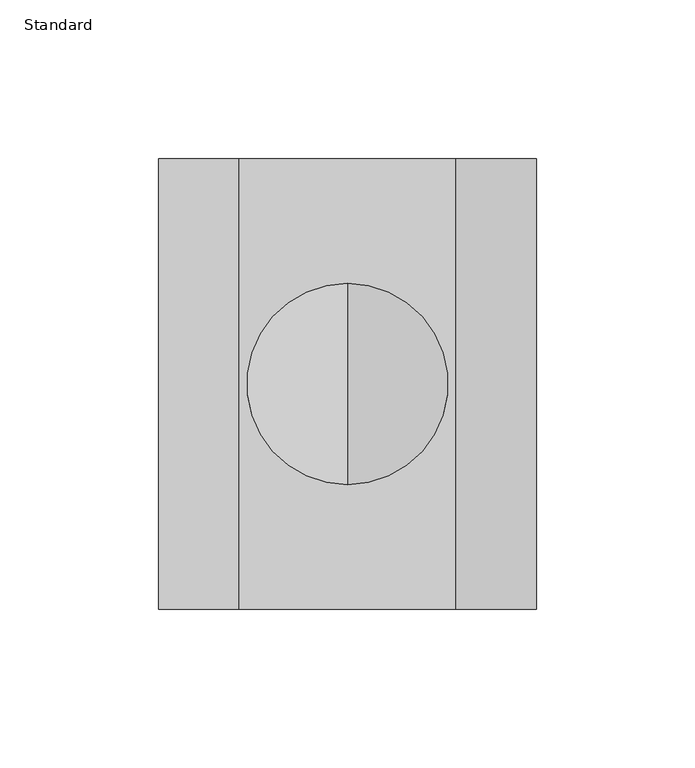
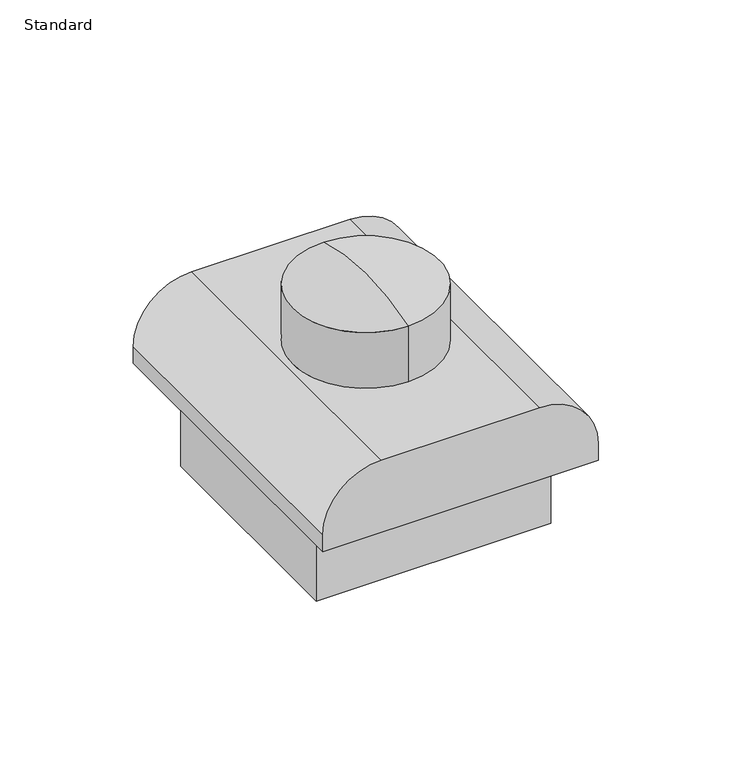
"""IFC4 building model written with IfcOpenShell, lengths in millimetres: alarm geometry, Standard."""

from ifc_helpers import new_model, si_unit, point, frame, origin, place, context, project, spatial, circle_curve, ellipse_curve, trimmed, source, transform, mapped, element, save
from ifc_brep_helpers import plane_surface, cylinder_surface, revolved_surface, advanced_brep


def standard_586d6311(model_context):
    return source(origin(), model_context, "Body", "AdvancedBrep", [
        advanced_brep(
        [(0.0, -31.75, 58.4116444), (0.0, 31.75, 58.4116444), (0.0, 31.75, 33.02), (0.0, -31.75, 33.02), (0.0, 0.0, 63.5), (59.69, -71.12, 0.0), (59.69, -71.12, 7.62), (34.29, -71.12, 33.02), (-34.29, -71.12, 33.02), (-59.69, -71.12, 7.62), (-59.69, -71.12, 0.0), (59.69, 71.12, 0.0), (-59.69, 71.12, 0.0), (-59.69, 71.12, 7.62), (-34.29, 71.12, 33.02), (34.29, 71.12, 33.02), (59.69, 71.12, 7.62), (50.8, 50.8, 0.0), (-50.8, 50.8, 0.0), (-50.8, -50.8, 0.0), (50.8, -50.8, 0.0), (50.8, 50.8, -38.1), (50.8, -50.8, -38.1), (-50.8, -50.8, -38.1), (-50.8, 50.8, -38.1)],
        [
            (0, 1, circle_curve(frame((0.0, 0.0, 58.4116444), z_axis=(0.0, 0.0, -1.0), x_axis=(0.0, 1.0, 0.0)), 31.75)),
            (1, 2),
            (2, 3, circle_curve(frame((0.0, 0.0, 33.02), z_axis=(0.0, 0.0, 1.0), x_axis=(0.0, 1.0, 0.0)), 31.75)),
            (3, 0),
            (1, 0, circle_curve(frame((0.0, 0.0, 58.4116444), z_axis=(0.0, 0.0, -1.0), x_axis=(0.0, 1.0, 0.0)), 31.75)),
            (3, 2, circle_curve(frame((0.0, 0.0, 33.02), z_axis=(0.0, 0.0, 1.0), x_axis=(0.0, 1.0, 0.0)), 31.75)),
            (0, 4, circle_curve(frame((0.0, 0.0, -38.1), z_axis=(-1.0, 0.0, 0.0), x_axis=(0.0, -1.0, 0.0)), 101.6)),
            (4, 1, circle_curve(frame((0.0, 0.0, -38.1), z_axis=(-1.0, 0.0, 0.0), x_axis=(0.0, 1.0, 0.0)), 101.6)),
            (5, 6),
            (6, 7, circle_curve(frame((34.29, -71.12, 7.62), z_axis=(0.0, -1.0, 0.0), x_axis=(1.0, 0.0, 0.0)), 25.4)),
            (7, 8),
            (8, 9, circle_curve(frame((-34.29, -71.12, 7.62), z_axis=(0.0, -1.0, 0.0), x_axis=(1.0, 0.0, 0.0)), 25.4)),
            (9, 10),
            (10, 5),
            (11, 12),
            (12, 13),
            (13, 14, circle_curve(frame((-34.29, 71.12, 7.62), z_axis=(0.0, 1.0, 0.0), x_axis=(1.0, 0.0, 0.0)), 25.4)),
            (14, 15),
            (15, 16, circle_curve(frame((34.29, 71.12, 7.62), z_axis=(0.0, 1.0, 0.0), x_axis=(1.0, 0.0, 0.0)), 25.4)),
            (16, 11),
            (5, 11),
            (16, 6),
            (15, 7),
            (14, 8),
            (13, 9),
            (12, 10),
            (17, 18),
            (18, 19),
            (19, 20),
            (20, 17),
            (21, 22),
            (22, 23),
            (23, 24),
            (24, 21),
            (24, 18),
            (17, 21),
            (23, 19),
            (22, 20),
        ],
        [
            cylinder_surface(frame((0.0, 0.0, 102.87), z_axis=(0.0, 0.0, 1.0), x_axis=(0.0, 1.0, 0.0)), 31.75),
            revolved_surface(trimmed(ellipse_curve(frame((0.0, 0.0, -38.1), z_axis=(1.0, 0.0, 0.0), x_axis=(0.0, 1.0, 0.0)), 101.6, 101.6), [point((0.0, 31.75, 58.4116444))], [point((0.0, 0.0, 63.5))], True, "CARTESIAN"), (0.0, 0.0, 102.87), (0.0, 0.0, 1.0)),
            plane_surface(frame((59.69, -71.12, 0.0), z_axis=(0.0, -1.0, 0.0), x_axis=(0.0, 0.0, 1.0))),
            plane_surface(frame((59.69, 71.12, 0.0), z_axis=(0.0, 1.0, 0.0), x_axis=(0.0, 0.0, -1.0))),
            plane_surface(frame((59.69, -71.12, 0.0), z_axis=(1.0, 0.0, 0.0), x_axis=(0.0, 1.0, 0.0))),
            cylinder_surface(frame((34.29, 71.12, 7.62), z_axis=(0.0, -1.0, 0.0), x_axis=(1.0, 0.0, 0.0)), 25.4),
            plane_surface(frame((34.29, -71.12, 33.02), z_axis=(0.0, 0.0, 1.0), x_axis=(0.0, 1.0, 0.0))),
            cylinder_surface(frame((-34.29, 71.12, 7.62), z_axis=(0.0, -1.0, 0.0), x_axis=(1.0, 0.0, 0.0)), 25.4),
            plane_surface(frame((-59.69, -71.12, 7.62), z_axis=(-1.0, 0.0, 0.0), x_axis=(0.0, 1.0, 0.0))),
            plane_surface(frame((-59.69, -71.12, 0.0), z_axis=(0.0, 0.0, -1.0), x_axis=(0.0, 1.0, 0.0))),
            plane_surface(frame((-59.69, 50.8, -38.1), z_axis=(0.0, 0.0, -1.0), x_axis=(1.0, 0.0, 0.0))),
            plane_surface(frame((50.8, 50.8, 0.0), z_axis=(0.0, 1.0, 0.0), x_axis=(0.0, 0.0, -1.0))),
            plane_surface(frame((-50.8, 50.8, 0.0), z_axis=(-1.0, 0.0, 0.0), x_axis=(0.0, 0.0, -1.0))),
            plane_surface(frame((-50.8, -50.8, 0.0), z_axis=(0.0, -1.0, 0.0), x_axis=(0.0, 0.0, -1.0))),
            plane_surface(frame((50.8, -50.8, 0.0), z_axis=(1.0, 0.0, 0.0), x_axis=(0.0, 0.0, -1.0))),
        ],
        [
            (0, [[1, 2, 3, 4]]),
            (0, [[-2, 5, -4, 6]]),
            (1, [[-1, 7, 8]]),
            (1, [[-5, -8, -7]]),
            (2, [[9, 10, 11, 12, 13, 14]]),
            (3, [[15, 16, 17, 18, 19, 20]]),
            (4, [[-9, 21, -20, 22]]),
            (5, [[-10, -22, -19, 23]]),
            (6, [[-11, -23, -18, 24], [-3, -6]]),
            (7, [[-12, -24, -17, 25]]),
            (8, [[-13, -25, -16, 26]]),
            (9, [[-14, -26, -15, -21], [27, 28, 29, 30]]),
            (10, [[31, 32, 33, 34]]),
            (11, [[-34, 35, -27, 36]]),
            (12, [[-33, 37, -28, -35]]),
            (13, [[-32, 38, -29, -37]]),
            (14, [[-31, -36, -30, -38]]),
        ],
    ),
    ])


if __name__ == "__main__":
    model = new_model("IFC4")
    model_context = context("Model", 3, world=origin())
    ifc_project = project(units=[si_unit("LENGTHUNIT", "METRE", prefix="MILLI")], contexts=[model_context])
    site = spatial("IfcSite", under=ifc_project)
    building = spatial("IfcBuilding", under=site)
    placement = place(None, origin())
    standard_shape = standard_586d6311(model_context)
    element("IfcAlarm", 1, ObjectType="Standard", at=placement, inside=building, context=model_context, shape_type="MappedRepresentation", body=[
        mapped(standard_shape, transform((0.0, 0.0, 0.0), x_axis=(1.0, 0.0, 0.0), y_axis=(0.0, 1.0, 0.0), z_axis=(0.0, 0.0, 1.0))),
    ])
    save(model, "model.ifc")
